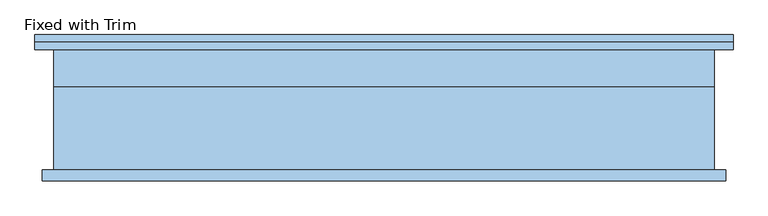
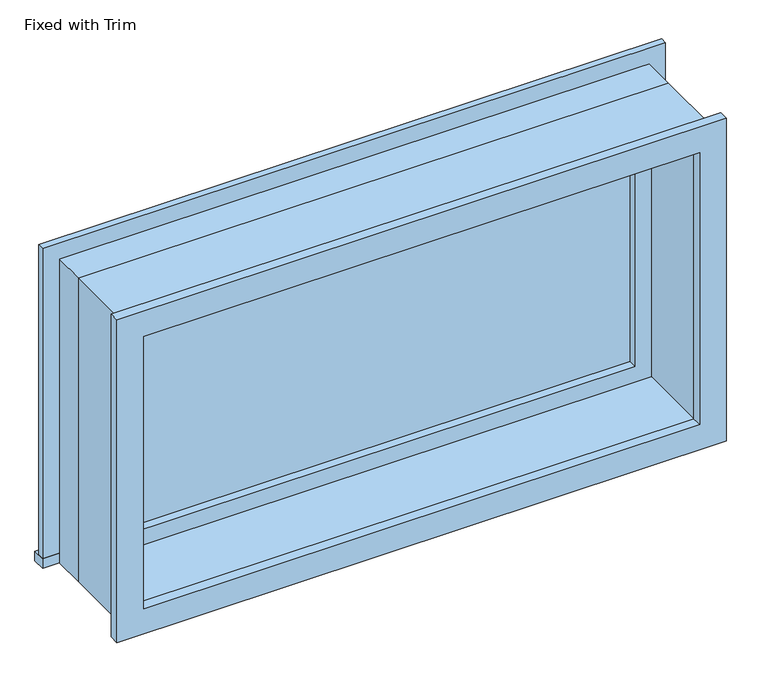
"""IFC4 building model written with IfcOpenShell, lengths in millimetres: window geometry, Fixed with Trim."""

from ifc_helpers import new_model, si_unit, frame, origin, place, context, project, spatial, polyline, outline, extrude, source, transform, mapped, element, save


def fixed_with_trim_4cd090c9(model_context):
    return source(origin(), model_context, "Body", "SweptSolid", [
        extrude(outline(polyline([(-628.65, 127.0), (552.45, 127.0), (552.45, 101.6), (-628.65, 101.6), (-628.65, 127.0)])), frame((0.0, 0.0, 914.4), z_axis=(0.0, 0.0, 1.0), x_axis=(1.0, 0.0, 0.0)), (0.0, 0.0, 1.0), 19.05),
        extrude(outline(polyline([(1504.95, -577.85), (1504.95, 501.65), (933.45, 501.65), (933.45, 552.45), (1555.75, 552.45), (1555.75, -628.65), (933.45, -628.65), (933.45, -577.85), (1504.95, -577.85)])), frame((0.0, 101.6, 0.0), z_axis=(0.0, 1.0, 0.0), x_axis=(0.0, 0.0, 1.0)), (0.0, 0.0, 1.0), 12.7),
        extrude(outline(polyline([(1543.05, 539.75), (1543.05, -615.95), (895.35, -615.95), (895.35, 539.75), (1543.05, 539.75)]), holes=[polyline([(1492.25, 488.95), (946.15, 488.95), (946.15, -565.15), (1492.25, -565.15), (1492.25, 488.95)])]), frame((0.0, -120.65, 0.0), z_axis=(0.0, 1.0, 0.0), x_axis=(0.0, 0.0, 1.0)), (0.0, 0.0, 1.0), 19.05),
        extrude(outline(polyline([(457.2, 53.975), (-533.4, 53.975), (-533.4, 66.675), (457.2, 66.675), (457.2, 53.975)])), frame((0.0, 0.0, 977.9), z_axis=(0.0, 0.0, 1.0), x_axis=(1.0, 0.0, 0.0)), (0.0, 0.0, 1.0), 482.6),
        extrude(outline(polyline([(1504.95, -577.85), (933.45, -577.85), (933.45, 501.65), (1504.95, 501.65), (1504.95, -577.85)]), holes=[polyline([(1460.5, -533.4), (1460.5, 457.2), (977.9, 457.2), (977.9, -533.4), (1460.5, -533.4)])]), frame((0.0, 38.1, 0.0), z_axis=(0.0, 1.0, 0.0), x_axis=(0.0, 0.0, 1.0)), (0.0, 0.0, 1.0), 44.45),
        extrude(outline(polyline([(1524.0, -596.9), (914.4, -596.9), (914.4, 520.7), (1524.0, 520.7), (1524.0, -596.9)]), holes=[polyline([(1492.25, -565.15), (1492.25, 488.95), (946.15, 488.95), (946.15, -565.15), (1492.25, -565.15)])]), frame((0.0, -101.6, 0.0), z_axis=(0.0, 1.0, 0.0), x_axis=(0.0, 0.0, 1.0)), (0.0, 0.0, 1.0), 139.7),
        extrude(outline(polyline([(1524.0, 520.7), (1524.0, -596.9), (914.4, -596.9), (914.4, 520.7), (1524.0, 520.7)]), holes=[polyline([(1504.95, 501.65), (933.45, 501.65), (933.45, -577.85), (1504.95, -577.85), (1504.95, 501.65)])]), frame((0.0, 38.1, 0.0), z_axis=(0.0, 1.0, 0.0), x_axis=(0.0, 0.0, 1.0)), (0.0, 0.0, 1.0), 63.5),
    ])


if __name__ == "__main__":
    model = new_model("IFC4")
    model_context = context("Model", 3, world=origin())
    ifc_project = project(units=[si_unit("LENGTHUNIT", "METRE", prefix="MILLI")], contexts=[model_context])
    site = spatial("IfcSite", under=ifc_project)
    building = spatial("IfcBuilding", under=site)
    placement = place(None, origin())
    fixed_with_trim_shape = fixed_with_trim_4cd090c9(model_context)
    element("IfcWindow", 1, ObjectType="Fixed with Trim", at=placement, inside=building, context=model_context, shape_type="MappedRepresentation", body=[
        mapped(fixed_with_trim_shape, transform((0.0, 0.0, 0.0), x_axis=(1.0, 0.0, 0.0), y_axis=(0.0, 1.0, 0.0), z_axis=(0.0, 0.0, 1.0))),
    ])
    save(model, "model.ifc")
